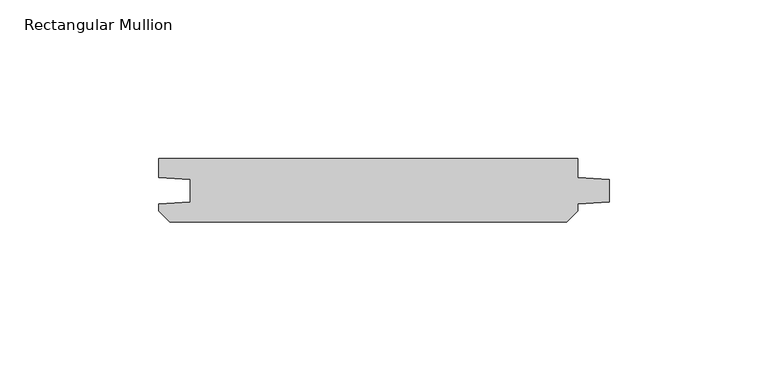
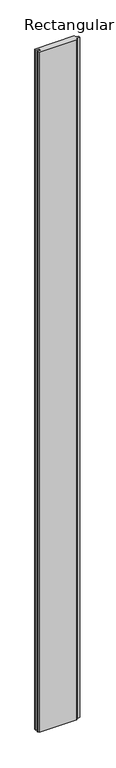
"""IFC4 building model written with IfcOpenShell, lengths in millimetres: member geometry, Rectangular Mullion."""

import ifcopenshell
import ifcopenshell.guid

model = None  # the IFC model being written
_history = None  # IfcOwnerHistory: only IFC2X3 demands one
_inside = {}  # id of a spatial element -> (the spatial element, [elements in it])
_under = {}  # id of a project, library or spatial element -> (it, [spatial elements below it])
_declared = {}  # id of a project -> (the project, [libraries it declares])
_typed = {}  # id of a type object -> (the type object, [elements of that type])
_made_of = {}  # id of a material, layer set ... -> (it, [elements and type objects made of it])


def new_model(schema):
    """Start an empty IFC model of exactly this schema.

    Asked for "IFC4X3", IfcOpenShell would pick the latest addendum, in which some entities
    have other attributes; the version numbers below select the first issue.
    IFC2X3 requires an IfcOwnerHistory on every rooted entity: one is made here for all.
    """
    global model, _history
    if schema == "IFC4X3":
        model = ifcopenshell.file(schema_version=(4, 3, 0, 0))
    else:
        model = ifcopenshell.file(schema=schema)
    _inside.clear()
    _under.clear()
    _declared.clear()
    _typed.clear()
    _made_of.clear()
    _history = None
    if model.schema == "IFC2X3":
        org = make("IfcOrganization", Name="unknown")
        user = make(
            "IfcPersonAndOrganization",
            ThePerson=make("IfcPerson", FamilyName="unknown"),
            TheOrganization=org,
        )
        app = make(
            "IfcApplication",
            ApplicationDeveloper=org,
            Version="unknown",
            ApplicationFullName="unknown",
            ApplicationIdentifier="unknown",
        )
        _history = make(
            "IfcOwnerHistory",
            OwningUser=user,
            OwningApplication=app,
            ChangeAction="ADDED",
            CreationDate=0,
        )
    return model


def make(cls, **values):
    """One entity of the class cls with the attributes given. An attribute that is None is left unset."""
    return model.create_entity(
        cls, **{name: value for name, value in values.items() if value is not None}
    )


def rooted(cls, **values):
    """An entity with a GlobalId (a new one), such as an element, a storey or a relation."""
    return make(cls, GlobalId=ifcopenshell.guid.new(), OwnerHistory=_history, **values)


def si_unit(unit_type, name, prefix=None):
    """IfcSIUnit, for example si_unit("LENGTHUNIT", "METRE", prefix="MILLI")."""
    return make("IfcSIUnit", UnitType=unit_type, Prefix=prefix, Name=name)


def assignment(units):
    """IfcUnitAssignment: the units of a project."""
    return None if units is None else make("IfcUnitAssignment", Units=units)


def point(xyz):
    """IfcCartesianPoint."""
    return None if xyz is None else make("IfcCartesianPoint", Coordinates=xyz)


def direction(xyz):
    """IfcDirection."""
    return None if xyz is None else make("IfcDirection", DirectionRatios=xyz)


def frame(location, z_axis=None, x_axis=None):
    """IfcAxis2Placement3D, a coordinate frame: its origin and axes. An axis left out is left unset."""
    return make(
        "IfcAxis2Placement3D",
        Location=point(location),
        Axis=direction(z_axis),
        RefDirection=direction(x_axis),
    )


def origin():
    """The frame at (0, 0, 0) with its axes left unset."""
    return frame((0.0, 0.0, 0.0))


def place(relative_to, where):
    """IfcLocalPlacement: puts the frame where relative to a parent placement (None: the world)."""
    return make(
        "IfcLocalPlacement", PlacementRelTo=relative_to, RelativePlacement=where
    )


def context(
    kind, dimensions, precision=None, world=None, true_north=None, identifier=None
):
    """IfcGeometricRepresentationContext, for example the 3D "Model" context."""
    return make(
        "IfcGeometricRepresentationContext",
        ContextIdentifier=identifier,
        ContextType=kind,
        CoordinateSpaceDimension=dimensions,
        Precision=precision,
        WorldCoordinateSystem=world,
        TrueNorth=true_north,
    )


def project(units=None, contexts=None):
    """IfcProject with its units and contexts."""
    return rooted(
        "IfcProject",
        Name="project",
        RepresentationContexts=contexts,
        UnitsInContext=assignment(units),
    )


def spatial(cls, under=None, at=None, **own):
    """A site, building, storey or space (cls), placed at a placement, below another one or the project."""
    s = rooted(cls, ObjectPlacement=at, **own)
    if under is not None:
        _under.setdefault(under.id(), (under, []))[1].append(s)
    return s


def polyline(points):
    """IfcPolyline through the points."""
    return make("IfcPolyline", Points=[point(p) for p in points])


def outline(outer, holes=None, kind="AREA"):
    """IfcArbitraryClosedProfileDef: a profile drawn as a closed curve; with holes, ...WithVoids."""
    if holes is None:
        return make("IfcArbitraryClosedProfileDef", ProfileType=kind, OuterCurve=outer)
    return make(
        "IfcArbitraryProfileDefWithVoids",
        ProfileType=kind,
        OuterCurve=outer,
        InnerCurves=holes,
    )


def extrude(swept, where, along, depth):
    """IfcExtrudedAreaSolid: the profile swept, set in the frame where, extruded along a direction by depth."""
    return make(
        "IfcExtrudedAreaSolid",
        SweptArea=swept,
        Position=where,
        ExtrudedDirection=direction(along),
        Depth=depth,
    )


def shape(context_of_items, identifier, shape_type, items):
    """IfcShapeRepresentation: the items that make up one representation, for example the "Body"."""
    return make(
        "IfcShapeRepresentation",
        ContextOfItems=context_of_items,
        RepresentationIdentifier=identifier,
        RepresentationType=shape_type,
        Items=items,
    )


def source(mapping_origin, context_of_items, identifier, shape_type, items):
    """IfcRepresentationMap: a shape defined once, which mapped items show again and again."""
    return make(
        "IfcRepresentationMap",
        MappingOrigin=mapping_origin,
        MappedRepresentation=shape(context_of_items, identifier, shape_type, items),
    )


def transform(
    local_origin,
    x_axis=None,
    y_axis=None,
    z_axis=None,
    scale=None,
    scale2=None,
    scale3=None,
    uniform=True,
):
    """IfcCartesianTransformationOperator3D, or its non-uniform kind. x_axis, y_axis, z_axis: its Axis1, 2, 3."""
    if uniform:
        return make(
            "IfcCartesianTransformationOperator3D",
            Axis1=direction(x_axis),
            Axis2=direction(y_axis),
            LocalOrigin=point(local_origin),
            Scale=scale,
            Axis3=direction(z_axis),
        )
    return make(
        "IfcCartesianTransformationOperator3DnonUniform",
        Axis1=direction(x_axis),
        Axis2=direction(y_axis),
        LocalOrigin=point(local_origin),
        Scale=scale,
        Axis3=direction(z_axis),
        Scale2=scale2,
        Scale3=scale3,
    )


def mapped(mapping_source, mapping_target):
    """IfcMappedItem: shows the shape of a source again, moved by a transform."""
    return make(
        "IfcMappedItem", MappingSource=mapping_source, MappingTarget=mapping_target
    )


def made_of(thing, what):
    """Note that an element or type object is made of a material, layer set ...; save() writes the relation."""
    if what is not None:
        _made_of.setdefault(what.id(), (what, []))[1].append(thing)
    return thing


def element(
    cls,
    number,
    at=None,
    inside=None,
    cuts=None,
    type_object=None,
    material=None,
    context=None,
    identifier="Body",
    shape_type=None,
    held_by="IfcProductDefinitionShape",
    body=None,
    shapes=None,
    **own,
):
    """One element of the class cls, such as IfcWall. Its Tag is "e" and its number.

    at: its placement. inside: the storey or other place that contains it. cuts: it is an
    opening in that element (IfcRelVoidsElement). A single representation is given by context,
    identifier, shape_type and body (its items); several are given by shapes. held_by: the class
    of the entity that holds the representations. save() writes the other relations.
    """
    e = rooted(cls, Tag="e%d" % number, ObjectPlacement=at, **own)
    if body is not None:
        shapes = [shape(context, identifier, shape_type, body)]
    if shapes is not None:
        e.Representation = make(held_by, Representations=shapes)
    if inside is not None:
        _inside.setdefault(inside.id(), (inside, []))[1].append(e)
    if cuts is not None:
        rooted(
            "IfcRelVoidsElement", RelatingBuildingElement=cuts, RelatedOpeningElement=e
        )
    if type_object is not None:
        _typed.setdefault(type_object.id(), (type_object, []))[1].append(e)
    return made_of(e, material)


def aggregate(whole, parts):
    """IfcRelAggregates: a whole, such as a stair, and the parts it consists of."""
    return rooted("IfcRelAggregates", RelatingObject=whole, RelatedObjects=parts)


def save(model, path):
    """Write the relations noted so far, then the file.

    IfcRelAggregates (storeys below a building ...), IfcRelContainedInSpatialStructure (elements
    in a storey), IfcRelDefinesByType, IfcRelAssociatesMaterial and IfcRelDeclares: one each for
    every whole, place, type object, material and project.
    """
    for whole, parts in _under.values():
        aggregate(whole, parts)
    for where, things in _inside.values():
        rooted(
            "IfcRelContainedInSpatialStructure",
            RelatedElements=things,
            RelatingStructure=where,
        )
    for kind, things in _typed.values():
        rooted("IfcRelDefinesByType", RelatedObjects=things, RelatingType=kind)
    for what, things in _made_of.values():
        rooted("IfcRelAssociatesMaterial", RelatedObjects=things, RelatingMaterial=what)
    for by, libraries in _declared.values():
        rooted("IfcRelDeclares", RelatingContext=by, RelatedDefinitions=libraries)
    model.write(path)


def rectangular_mullion_d9247803(model_context):
    return source(origin(), model_context, "Body", "SweptSolid", [
        extrude(outline(polyline([(-10.0, 0.0), (-10.0, -5.9651903), (0.0, -6.6644584), (0.0, -13.6642442), (-10.0, -14.3635124), (-10.0, -16.5283124), (-13.4716876, -20.0), (-138.5283124, -20.0), (-142.0, -16.5283124), (-142.0, -14.3635124), (-132.0, -13.6642442), (-132.0, -6.6644584), (-142.0, -5.9651903), (-142.0, 0.0), (-10.0, 0.0)])), frame((0.0, 0.0, -2400.0), z_axis=(0.0, 0.0, 1.0), x_axis=(1.0, 0.0, 0.0)), (0.0, 0.0, 1.0), 2400.0),
    ])


if __name__ == "__main__":
    model = new_model("IFC4")
    model_context = context("Model", 3, world=origin())
    ifc_project = project(units=[si_unit("LENGTHUNIT", "METRE", prefix="MILLI")], contexts=[model_context])
    site = spatial("IfcSite", under=ifc_project)
    building = spatial("IfcBuilding", under=site)
    placement = place(None, origin())
    rectangular_mullion_shape = rectangular_mullion_d9247803(model_context)
    element("IfcMember", 1, ObjectType="Rectangular Mullion", at=placement, inside=building, context=model_context, shape_type="MappedRepresentation", body=[
        mapped(rectangular_mullion_shape, transform((0.0, 0.0, 0.0), x_axis=(1.0, 0.0, 0.0), y_axis=(0.0, 1.0, 0.0), z_axis=(0.0, 0.0, 1.0))),
    ])
    save(model, "model.ifc")
